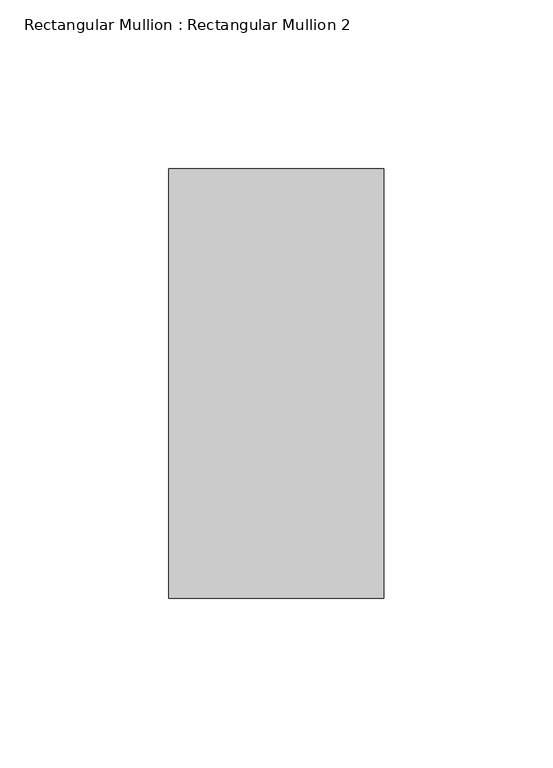
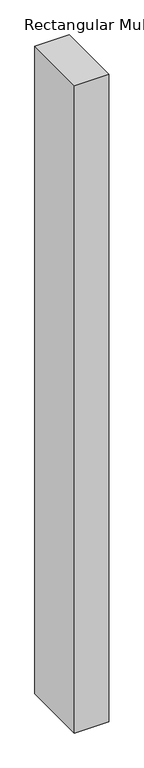
"""IFC4 building model written with IfcOpenShell, lengths in millimetres: member geometry, Rectangular Mullion : Rectangular Mullion 2."""

from ifc_helpers import new_model, si_unit, frame, origin, place, context, project, spatial, polyline, outline, extrude, source, transform, mapped, element, save


def rectangular_mullion_rectangular_mullion_2_31b84fda(model_context):
    return source(origin(), model_context, "Body", "SweptSolid", [
        extrude(outline(polyline([(31.8, 188.5), (31.8, 61.5), (-31.8, 61.5), (-31.8, 188.5), (31.8, 188.5)])), frame((0.0, 0.0, -1268.2), z_axis=(0.0, 0.0, 1.0), x_axis=(1.0, 0.0, 0.0)), (0.0, 0.0, 1.0), 1268.2),
    ])


if __name__ == "__main__":
    model = new_model("IFC4")
    model_context = context("Model", 3, world=origin())
    ifc_project = project(units=[si_unit("LENGTHUNIT", "METRE", prefix="MILLI")], contexts=[model_context])
    site = spatial("IfcSite", under=ifc_project)
    building = spatial("IfcBuilding", under=site)
    placement = place(None, origin())
    rectangular_mullion_rectangular_mullion_2_shape = rectangular_mullion_rectangular_mullion_2_31b84fda(model_context)
    element("IfcMember", 1, ObjectType="Rectangular Mullion : Rectangular Mullion 2", at=placement, inside=building, context=model_context, shape_type="MappedRepresentation", body=[
        mapped(rectangular_mullion_rectangular_mullion_2_shape, transform((0.0, 0.0, 0.0), x_axis=(1.0, 0.0, 0.0), y_axis=(0.0, 1.0, 0.0), z_axis=(0.0, 0.0, 1.0))),
    ])
    save(model, "model.ifc")
